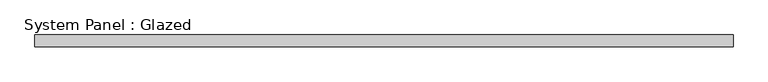
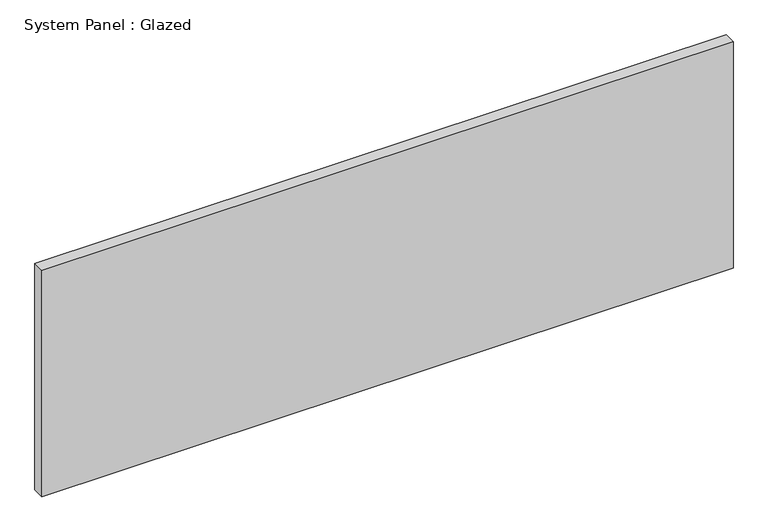
"""IFC4 building model written with IfcOpenShell, lengths in millimetres: plate geometry, System Panel : Glazed."""

from ifc_helpers import new_model, si_unit, origin, origin_with_axes, place, context, project, spatial, polyline, outline, extrude, source, transform, mapped, element, save


def system_panel_glazed_95bcbaeb(model_context):
    return source(origin(), model_context, "Body", "SweptSolid", [
        extrude(outline(polyline([(733.5358287, -12.7), (-733.5358287, -12.7), (-733.5358287, 12.7), (733.5358287, 12.7), (733.5358287, -12.7)])), origin_with_axes(), (0.0, 0.0, 1.0), 508.0),
    ])


if __name__ == "__main__":
    model = new_model("IFC4")
    model_context = context("Model", 3, world=origin())
    ifc_project = project(units=[si_unit("LENGTHUNIT", "METRE", prefix="MILLI")], contexts=[model_context])
    site = spatial("IfcSite", under=ifc_project)
    building = spatial("IfcBuilding", under=site)
    placement = place(None, origin())
    system_panel_glazed_shape = system_panel_glazed_95bcbaeb(model_context)
    element("IfcPlate", 1, ObjectType="System Panel : Glazed", at=placement, inside=building, context=model_context, shape_type="MappedRepresentation", body=[
        mapped(system_panel_glazed_shape, transform((0.0, 0.0, 0.0), x_axis=(1.0, 0.0, 0.0), y_axis=(0.0, 1.0, 0.0), z_axis=(0.0, 0.0, 1.0))),
    ])
    save(model, "model.ifc")
